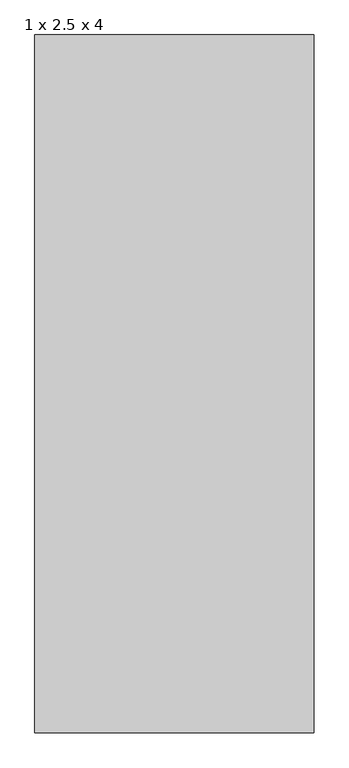
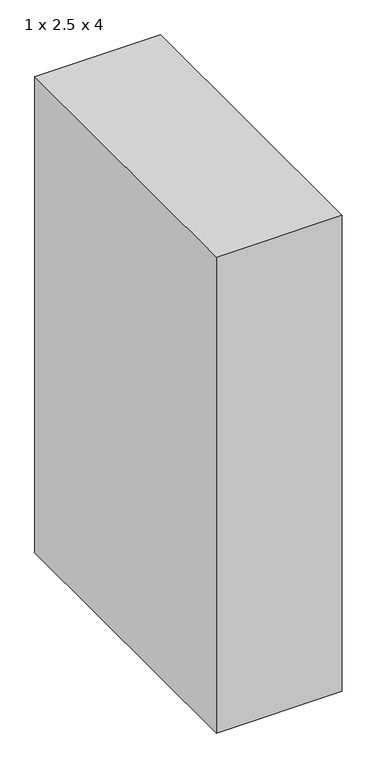
"""IFC4 building model written with IfcOpenShell, lengths in millimetres: proxy geometry, 1 x 2.5 x 4."""

from ifc_helpers import new_model, si_unit, origin, origin_with_axes, place, context, project, spatial, polyline, outline, extrude, source, transform, mapped, element, save


def proxy_1_x_2_5_x_4_f9b7b099(model_context):
    return source(origin(), model_context, "Body", "SweptSolid", [
        extrude(outline(polyline([(1000.0, 2500.0), (1000.0, 0.0), (0.0, 0.0), (0.0, 2500.0), (1000.0, 2500.0)])), origin_with_axes(), (0.0, 0.0, 1.0), 4000.0),
    ])


if __name__ == "__main__":
    model = new_model("IFC4")
    model_context = context("Model", 3, world=origin())
    ifc_project = project(units=[si_unit("LENGTHUNIT", "METRE", prefix="MILLI")], contexts=[model_context])
    site = spatial("IfcSite", under=ifc_project)
    building = spatial("IfcBuilding", under=site)
    placement = place(None, origin())
    proxy_1_x_2_5_x_4_shape = proxy_1_x_2_5_x_4_f9b7b099(model_context)
    element("IfcBuildingElementProxy", 1, Name="1 x 2.5 x 4", ObjectType="1 x 2.5 x 4", at=placement, inside=building, context=model_context, shape_type="MappedRepresentation", body=[
        mapped(proxy_1_x_2_5_x_4_shape, transform((0.0, 0.0, 0.0), x_axis=(1.0, 0.0, 0.0), y_axis=(0.0, 1.0, 0.0), z_axis=(0.0, 0.0, 1.0))),
    ])
    save(model, "model.ifc")
